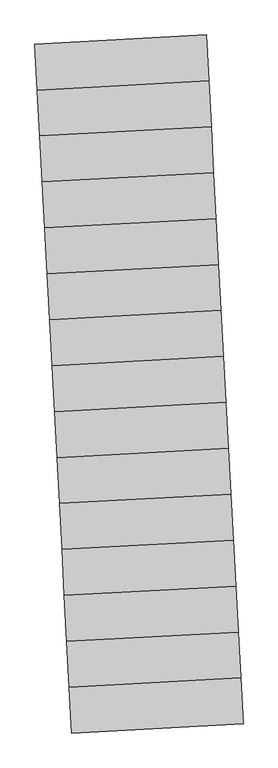
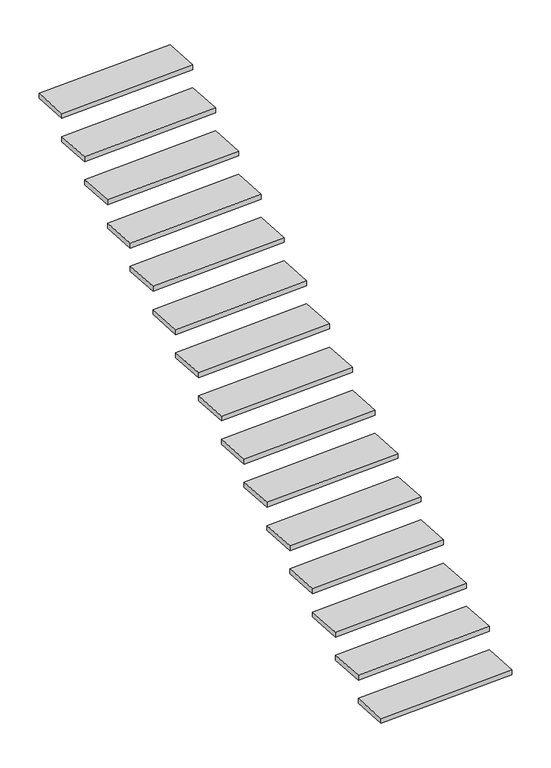
"""IFC4 building model written with IfcOpenShell, lengths in millimetres: stair flight geometry."""

from ifc_helpers import new_model, si_unit, frame, origin, place, context, project, spatial, polyline, outline, extrude, source, transform, mapped, element, save


def stair_flight_ce1090ae(model_context):
    return source(origin(), model_context, "Body", "SweptSolid", [
        extrude(outline(polyline([(-131900.2523297, 120339.2556658), (-130855.0914851, 120395.3705462), (-130840.0798539, 120115.7732449), (-131885.2406985, 120059.6583645), (-131900.2523297, 120339.2556658)])), frame((0.0, 0.0, -8896.8273923), z_axis=(0.0, 0.0, 1.0), x_axis=(1.0, 0.0, 0.0)), (0.0, 0.0, 1.0), 40.0),
        extrude(outline(polyline([(-131915.2639608, 120618.8529672), (-130870.1031163, 120674.9678476), (-130855.0914851, 120395.3705462), (-131900.2523297, 120339.2556658), (-131915.2639608, 120618.8529672)])), frame((0.0, 0.0, -8707.8388995), z_axis=(0.0, 0.0, 1.0), x_axis=(1.0, 0.0, 0.0)), (0.0, 0.0, 1.0), 40.0),
        extrude(outline(polyline([(-131930.275592, 120898.4502686), (-130885.1147475, 120954.565149), (-130870.1031163, 120674.9678476), (-131915.2639608, 120618.8529672), (-131930.275592, 120898.4502686)])), frame((0.0, 0.0, -8518.8504067), z_axis=(0.0, 0.0, 1.0), x_axis=(1.0, 0.0, 0.0)), (0.0, 0.0, 1.0), 40.0),
        extrude(outline(polyline([(-131945.2872232, 121178.0475699), (-130900.1263787, 121234.1624503), (-130885.1147475, 120954.565149), (-131930.275592, 120898.4502686), (-131945.2872232, 121178.0475699)])), frame((0.0, 0.0, -8329.8619138), z_axis=(0.0, 0.0, 1.0), x_axis=(1.0, 0.0, 0.0)), (0.0, 0.0, 1.0), 40.0),
        extrude(outline(polyline([(-131960.2988544, 121457.6448713), (-130915.1380099, 121513.7597517), (-130900.1263787, 121234.1624503), (-131945.2872232, 121178.0475699), (-131960.2988544, 121457.6448713)])), frame((0.0, 0.0, -8140.873421), z_axis=(0.0, 0.0, 1.0), x_axis=(1.0, 0.0, 0.0)), (0.0, 0.0, 1.0), 40.0),
        extrude(outline(polyline([(-131975.3104856, 121737.2421727), (-130930.149641, 121793.3570531), (-130915.1380099, 121513.7597517), (-131960.2988544, 121457.6448713), (-131975.3104856, 121737.2421727)])), frame((0.0, 0.0, -7951.8849282), z_axis=(0.0, 0.0, 1.0), x_axis=(1.0, 0.0, 0.0)), (0.0, 0.0, 1.0), 40.0),
        extrude(outline(polyline([(-131990.3221167, 122016.839474), (-130945.1612722, 122072.9543544), (-130930.149641, 121793.3570531), (-131975.3104856, 121737.2421727), (-131990.3221167, 122016.839474)])), frame((0.0, 0.0, -7762.8964354), z_axis=(0.0, 0.0, 1.0), x_axis=(1.0, 0.0, 0.0)), (0.0, 0.0, 1.0), 40.0),
        extrude(outline(polyline([(-132005.3337479, 122296.4367754), (-130960.1729034, 122352.5516558), (-130945.1612722, 122072.9543544), (-131990.3221167, 122016.839474), (-132005.3337479, 122296.4367754)])), frame((0.0, 0.0, -7573.9079426), z_axis=(0.0, 0.0, 1.0), x_axis=(1.0, 0.0, 0.0)), (0.0, 0.0, 1.0), 40.0),
        extrude(outline(polyline([(-132020.3453791, 122576.0340767), (-130975.1845346, 122632.1489571), (-130960.1729034, 122352.5516558), (-132005.3337479, 122296.4367754), (-132020.3453791, 122576.0340767)])), frame((0.0, 0.0, -7384.9194497), z_axis=(0.0, 0.0, 1.0), x_axis=(1.0, 0.0, 0.0)), (0.0, 0.0, 1.0), 40.0),
        extrude(outline(polyline([(-132035.3570103, 122855.6313781), (-130990.1961658, 122911.7462585), (-130975.1845346, 122632.1489571), (-132020.3453791, 122576.0340767), (-132035.3570103, 122855.6313781)])), frame((0.0, 0.0, -7195.9309569), z_axis=(0.0, 0.0, 1.0), x_axis=(1.0, 0.0, 0.0)), (0.0, 0.0, 1.0), 40.0),
        extrude(outline(polyline([(-132050.3686415, 123135.2286795), (-131005.2077969, 123191.3435599), (-130990.1961658, 122911.7462585), (-132035.3570103, 122855.6313781), (-132050.3686415, 123135.2286795)])), frame((0.0, 0.0, -7006.9424641), z_axis=(0.0, 0.0, 1.0), x_axis=(1.0, 0.0, 0.0)), (0.0, 0.0, 1.0), 40.0),
        extrude(outline(polyline([(-132065.3802727, 123414.8259808), (-131020.2194281, 123470.9408612), (-131005.2077969, 123191.3435599), (-132050.3686415, 123135.2286795), (-132065.3802727, 123414.8259808)])), frame((0.0, 0.0, -6817.9539713), z_axis=(0.0, 0.0, 1.0), x_axis=(1.0, 0.0, 0.0)), (0.0, 0.0, 1.0), 40.0),
        extrude(outline(polyline([(-132080.3919038, 123694.4232822), (-131035.2310593, 123750.5381626), (-131020.2194281, 123470.9408612), (-132065.3802727, 123414.8259808), (-132080.3919038, 123694.4232822)])), frame((0.0, 0.0, -6628.9654785), z_axis=(0.0, 0.0, 1.0), x_axis=(1.0, 0.0, 0.0)), (0.0, 0.0, 1.0), 40.0),
        extrude(outline(polyline([(-132095.403535, 123974.0205836), (-131050.2426905, 124030.135464), (-131035.2310593, 123750.5381626), (-132080.3919038, 123694.4232822), (-132095.403535, 123974.0205836)])), frame((0.0, 0.0, -6439.9769856), z_axis=(0.0, 0.0, 1.0), x_axis=(1.0, 0.0, 0.0)), (0.0, 0.0, 1.0), 40.0),
        extrude(outline(polyline([(-132110.4151662, 124253.6178849), (-131065.2543217, 124309.7327653), (-131050.2426905, 124030.135464), (-132095.403535, 123974.0205836), (-132110.4151662, 124253.6178849)])), frame((0.0, 0.0, -6250.9884928), z_axis=(0.0, 0.0, 1.0), x_axis=(1.0, 0.0, 0.0)), (0.0, 0.0, 1.0), 40.0),
    ])


if __name__ == "__main__":
    model = new_model("IFC4")
    model_context = context("Model", 3, world=origin())
    ifc_project = project(units=[si_unit("LENGTHUNIT", "METRE", prefix="MILLI")], contexts=[model_context])
    site = spatial("IfcSite", under=ifc_project)
    building = spatial("IfcBuilding", under=site)
    placement = place(None, origin())
    stair_flight_shape = stair_flight_ce1090ae(model_context)
    element("IfcStairFlight", 1, at=placement, inside=building, context=model_context, shape_type="MappedRepresentation", body=[
        mapped(stair_flight_shape, transform((0.0, 0.0, 0.0), x_axis=(1.0, 0.0, 0.0), y_axis=(0.0, 1.0, 0.0), z_axis=(0.0, 0.0, 1.0))),
    ])
    save(model, "model.ifc")
